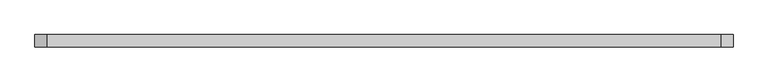
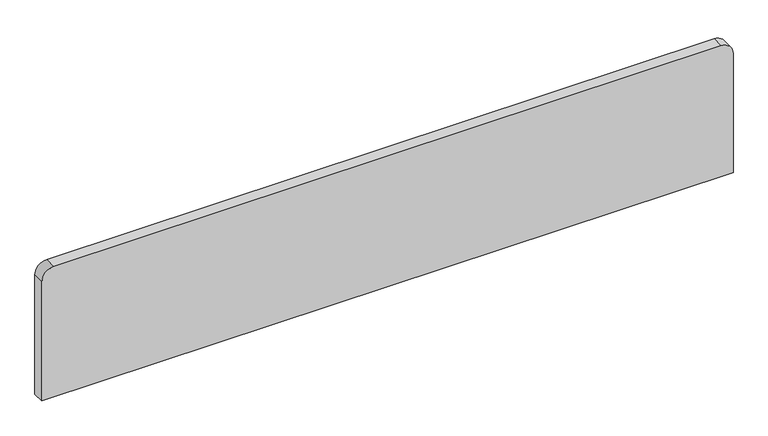
"""IFC4 building model written with IfcOpenShell, lengths in millimetres: furniture geometry."""

from ifc_helpers import new_model, si_unit, point, frame, frame_2d, origin, place, context, project, spatial, polyline, circle_curve, trimmed, segment, composite_curve, outline, extrude, source, transform, mapped, element, save


def furniture_3bca8c88(model_context):
    return source(origin(), model_context, "Body", "SweptSolid", [
        extrude(outline(composite_curve([segment(polyline([(752.475, -429.6314461), (752.475, 1570.6185539), (1117.5007813, 1570.6185539)]), True, "CONTINUOUS"), segment(trimmed(circle_curve(frame_2d((1117.5007813, 1535.5943351)), 35.0242187), [point((1117.5007813, 1570.6185539))], [point((1152.525, 1535.5943351))], False, "CARTESIAN"), True, "CONTINUOUS"), segment(polyline([(1152.525, 1535.5943351), (1152.525, -394.6072274)]), True, "CONTINUOUS"), segment(trimmed(circle_curve(frame_2d((1117.5007812, -394.6072274)), 35.0242187), [point((1152.525, -394.6072274))], [point((1117.5007812, -429.6314461))], False, "CARTESIAN"), True, "CONTINUOUS"), segment(polyline([(1117.5007812, -429.6314461), (752.475, -429.6314461)]), True, "CONTINUOUS")], self_intersect=False)), frame((0.0, 26.9378906, 0.0), z_axis=(0.0, 1.0, 0.0), x_axis=(0.0, 0.0, 1.0)), (0.0, 0.0, 1.0), 35.0242188),
    ])


if __name__ == "__main__":
    model = new_model("IFC4")
    model_context = context("Model", 3, world=origin())
    ifc_project = project(units=[si_unit("LENGTHUNIT", "METRE", prefix="MILLI")], contexts=[model_context])
    site = spatial("IfcSite", under=ifc_project)
    building = spatial("IfcBuilding", under=site)
    placement = place(None, origin())
    furniture_shape = furniture_3bca8c88(model_context)
    element("IfcFurniture", 1, at=placement, inside=building, context=model_context, shape_type="MappedRepresentation", body=[
        mapped(furniture_shape, transform((0.0, 0.0, 0.0), x_axis=(1.0, 0.0, 0.0), y_axis=(0.0, 1.0, 0.0), z_axis=(0.0, 0.0, 1.0))),
    ])
    save(model, "model.ifc")
